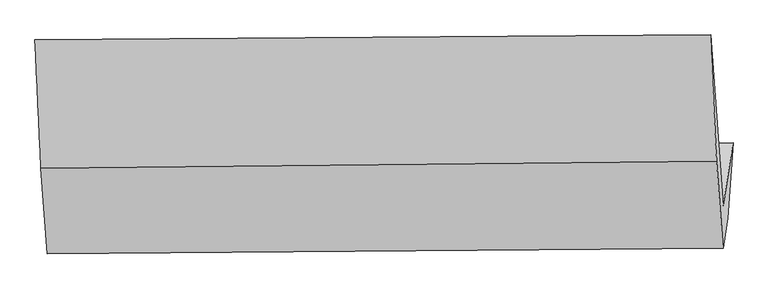
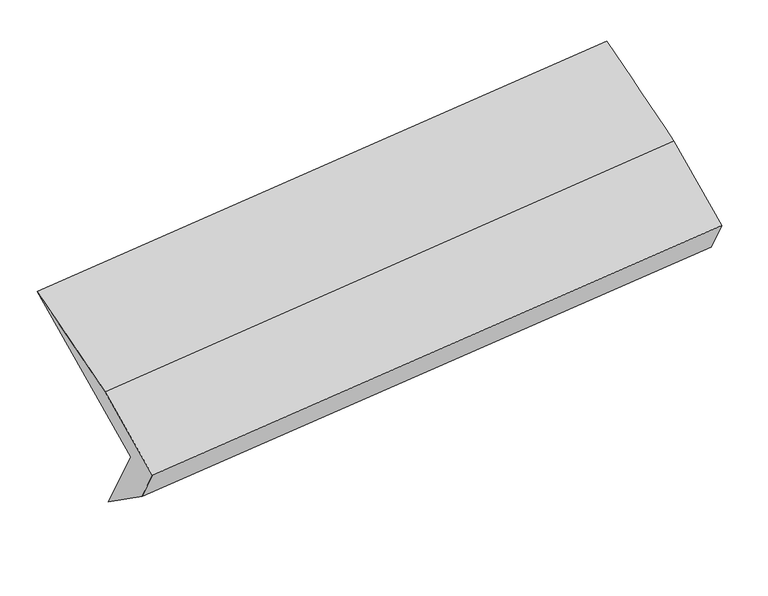
"""IFC4 building model written with IfcOpenShell, lengths in millimetres: proxy geometry."""

from ifc_helpers import new_model, si_unit, frame, origin, place, context, project, spatial, source, transform, mapped, element, save
from ifc_brep_helpers import plane_surface, spline_surface, advanced_brep


def generic_models_d5b3e74b(model_context):
    return source(origin(), model_context, "Body", "AdvancedBrep", [
        advanced_brep(
        [(-5028.094388, -1339.5825936, 1001.1273529), (-5094.4240301, -1759.4833739, 1654.3080212), (-617.7276386, -1736.2007466, 2135.8094141), (-551.3979965, -1316.2999663, 1482.6287458), (-5064.6708326, -1861.2116705, 1378.8922442), (-586.8917499, -1818.7290219, 1848.983687), (-5095.1524574, -2054.1760472, 1679.0598229), (-618.2244816, -2017.0813433, 2157.5325346), (-5136.9058332, -1486.4227961, 2039.8031181), (-660.5973799, -1440.9039604, 2523.6284175), (-5177.1106218, -635.1292249, 2368.7085464), (-701.0337528, -603.4224657, 2855.562527)],
        [
            (0, 1),
            (1, 2),
            (2, 3),
            (3, 0),
            (4, 0),
            (3, 5),
            (5, 4),
            (6, 4),
            (5, 7),
            (7, 6),
            (8, 6),
            (7, 9),
            (9, 8),
            (10, 8),
            (9, 11),
            (11, 10),
            (1, 10),
            (11, 2),
        ],
        [
            plane_surface(frame((-5061.259209, -1549.5329838, 1327.717687), z_axis=(-0.06195225479084879, 0.8424131808581153, 0.5352587699821858), x_axis=(-0.08511068896356284, -0.5387944749950897, 0.8381268903566532))),
            spline_surface(1, 1, [[(-5064.6708326, -1861.2116705, 1378.8922442), (-586.8917499, -1818.7290219, 1848.983687)], [(-5028.094388, -1339.5825936, 1001.1273529), (-551.3979965, -1316.2999663, 1482.6287458)]], [2, 2], [2, 2], [0.0, 1.0], [0.0, 1.0]),
            plane_surface(frame((-5079.911645, -1957.6938588, 1528.9760335), z_axis=(0.06416071206801775, -0.8423969610605615, -0.5350240770496744), x_axis=(0.08511068896356268, 0.5387944749950893, -0.8381268903566534))),
            plane_surface(frame((-5116.0291453, -1770.2994216, 1859.4314705), z_axis=(-0.08511068896356436, -0.5387944749950988, 0.8381268903566471), x_axis=(0.061952254790857524, -0.8424131808581092, -0.5352587699821939))),
            spline_surface(1, 1, [[(-5177.1106218, -635.1292249, 2368.7085464), (-701.0337528, -603.4224657, 2855.562527)], [(-5136.9058332, -1486.4227961, 2039.8031181), (-660.5973799, -1440.9039604, 2523.6284175)]], [2, 2], [2, 2], [0.0, 1.0], [0.0, 1.0]),
            plane_surface(frame((-5135.7673259, -1197.3062994, 2011.5082838), z_axis=(0.08731908912476874, 0.5388072883012843, -0.8378914504563449), x_axis=(-0.0619522547908506, 0.8424131808581123, 0.5352587699821899))),
            plane_surface(frame((-622.6454999, -1488.7729173, 2167.3575543), z_axis=(0.9944436076271377, 0.0063676079714708525, 0.10507789880962212), x_axis=(0.061952254790857524, -0.8424131808581092, -0.5352587699821939))),
            plane_surface(frame((-5099.3930272, -1522.6676177, 1686.9831843), z_axis=(-0.9944436076271407, -0.0063676079714506395, -0.10507789880959528), x_axis=(0.0851106889635512, 0.5387944749950851, -0.8381268903566573))),
        ],
        [
            (0, [[1, 2, 3, 4]]),
            (1, [[5, -4, 6, 7]]),
            (2, [[8, -7, 9, 10]]),
            (3, [[11, -10, 12, 13]]),
            (4, [[14, -13, 15, 16]]),
            (5, [[17, -16, 18, -2]]),
            (6, [[-12, -9, -6, -3, -18, -15]]),
            (7, [[-1, -5, -8, -11, -14, -17]]),
        ],
    ),
    ])


if __name__ == "__main__":
    model = new_model("IFC4")
    model_context = context("Model", 3, world=origin())
    ifc_project = project(units=[si_unit("LENGTHUNIT", "METRE", prefix="MILLI")], contexts=[model_context])
    site = spatial("IfcSite", under=ifc_project)
    building = spatial("IfcBuilding", under=site)
    placement = place(None, origin())
    generic_models_shape = generic_models_d5b3e74b(model_context)
    element("IfcBuildingElementProxy", 1, Name="Generic Models", at=placement, inside=building, context=model_context, shape_type="MappedRepresentation", body=[
        mapped(generic_models_shape, transform((0.0, 0.0, 0.0), x_axis=(1.0, 0.0, 0.0), y_axis=(0.0, 1.0, 0.0), z_axis=(0.0, 0.0, 1.0))),
    ])
    save(model, "model.ifc")
